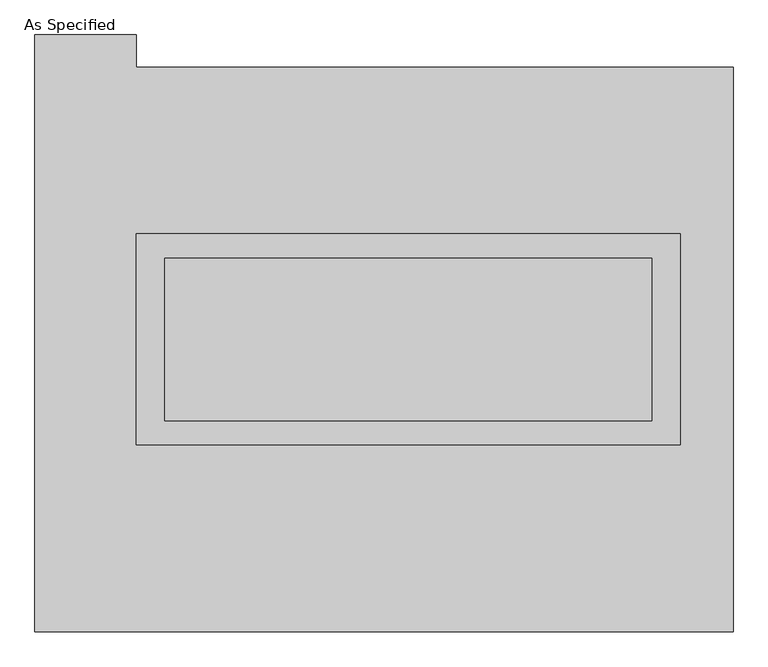
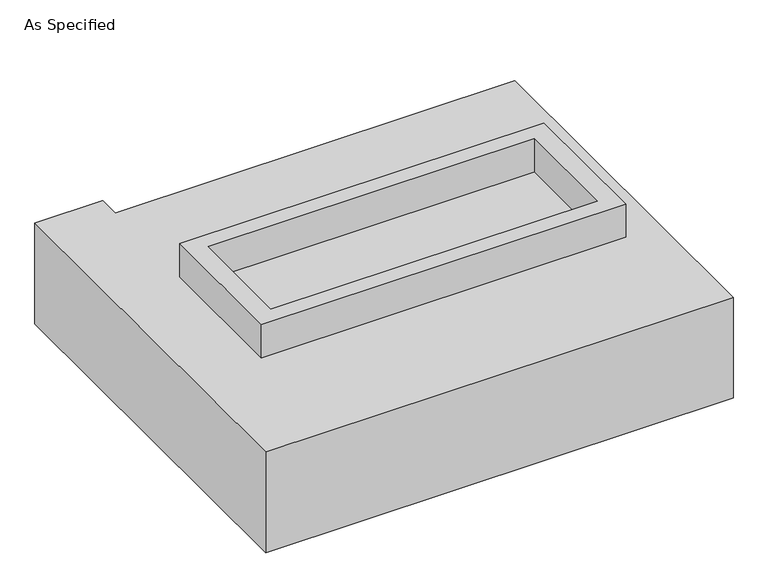
"""IFC4 building model written with IfcOpenShell, lengths in millimetres: proxy geometry, As Specified."""

from ifc_helpers import new_model, si_unit, frame, origin, place, context, project, spatial, polyline, outline, extrude, faceted_brep, source, transform, mapped, element, save


def as_specified_4097efde(model_context):
    return source(origin(), model_context, "Body", "SolidModel", [
        extrude(outline(polyline([(850.9, 361.95), (850.9, -298.45), (-850.9, -298.45), (-850.9, 361.95), (850.9, 361.95)]), holes=[polyline([(762.0, 285.75), (-762.0, 285.75), (-762.0, -222.25), (762.0, -222.25), (762.0, 285.75)])]), frame((0.0, 0.0, -25.4), z_axis=(0.0, 0.0, 1.0), x_axis=(1.0, 0.0, 0.0)), (0.0, 0.0, 1.0), 165.1),
        extrude(outline(polyline([(762.0, 285.75), (762.0, -222.25), (-762.0, -222.25), (-762.0, 285.75), (762.0, 285.75)])), frame((0.0, 0.0, -30.3609375), z_axis=(0.0, 0.0, 1.0), x_axis=(1.0, 0.0, 0.0)), (0.0, 0.0, 1.0), 4.9609375),
        faceted_brep([(1016.0, -882.65, -523.875), (-1168.4, -882.65, -523.875), (-1168.4, 984.25, -523.875), (-850.9, 984.25, -523.875), (-850.9, 882.65, -523.875), (1016.0, 882.65, -523.875), (-1168.4, -882.65, -25.4), (1016.0, -882.65, -25.4), (1016.0, 882.65, -25.4), (-850.9, 882.65, -25.4), (-850.9, 984.25, -25.4), (-1168.4, 984.25, -25.4), (-850.9, -298.45, -25.4), (-850.9, 361.95, -25.4), (850.9, 361.95, -25.4), (850.9, -298.45, -25.4), (850.9, 361.95, -498.475), (-850.9, 361.95, -498.475), (-850.9, -298.45, -498.475), (850.9, -298.45, -498.475)], [[[0, 1, 2, 3, 4, 5]], [[6, 7, 8, 9, 10, 11], [12, 13, 14, 15]], [[8, 5, 4, 9]], [[2, 1, 6, 11]], [[5, 8, 7, 0]], [[16, 17, 18, 19]], [[18, 17, 13, 12]], [[17, 16, 14, 13]], [[16, 19, 15, 14]], [[12, 15, 19, 18]], [[1, 0, 7, 6]], [[4, 3, 10, 9]], [[3, 2, 11, 10]]]),
    ])


if __name__ == "__main__":
    model = new_model("IFC4")
    model_context = context("Model", 3, world=origin())
    ifc_project = project(units=[si_unit("LENGTHUNIT", "METRE", prefix="MILLI")], contexts=[model_context])
    site = spatial("IfcSite", under=ifc_project)
    building = spatial("IfcBuilding", under=site)
    placement = place(None, origin())
    as_specified_shape = as_specified_4097efde(model_context)
    element("IfcBuildingElementProxy", 1, Name="As Specified", ObjectType="As Specified", at=placement, inside=building, context=model_context, shape_type="MappedRepresentation", body=[
        mapped(as_specified_shape, transform((0.0, 0.0, 0.0), x_axis=(1.0, 0.0, 0.0), y_axis=(0.0, 1.0, 0.0), z_axis=(0.0, 0.0, 1.0))),
    ])
    save(model, "model.ifc")
